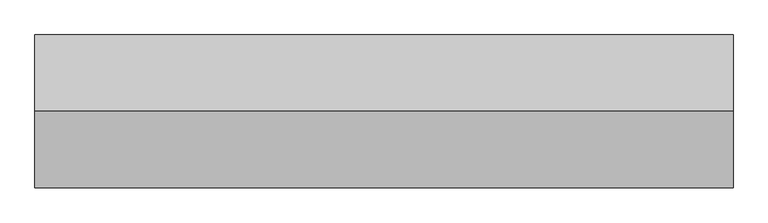
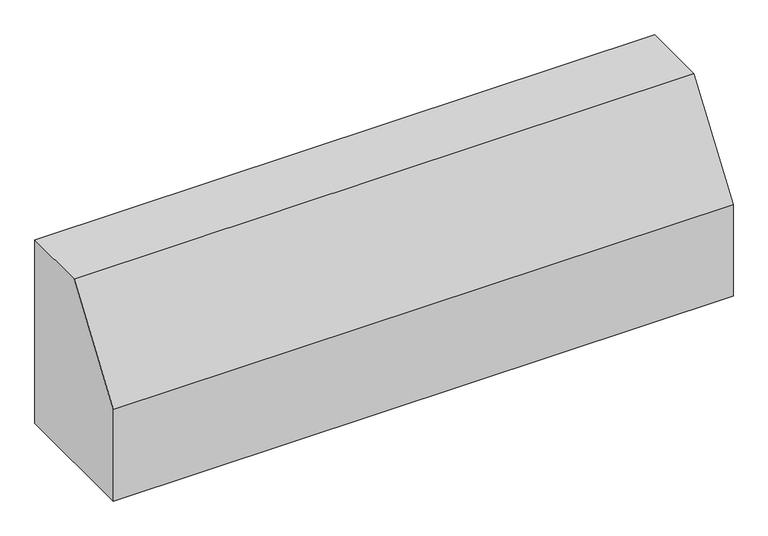
"""IFC4 building model written with IfcOpenShell, lengths in millimetres: proxy geometry."""

from ifc_helpers import new_model, si_unit, frame, origin, place, context, project, spatial, polyline, outline, extrude, source, transform, mapped, element, save


def generic_models_e8e31e57(model_context):
    return source(origin(), model_context, "Body", "SweptSolid", [
        extrude(outline(polyline([(6412.8552788, 8500.0), (6762.8552788, 8500.0), (6762.8552788, 7500.0), (6062.8552788, 7500.0), (6062.8552788, 8000.0), (6412.8552788, 8500.0)])), frame((5024.0222975, 0.0, 0.0), z_axis=(1.0, 0.0, 0.0), x_axis=(0.0, 1.0, 0.0)), (0.0, 0.0, 1.0), 3195.0),
    ])


if __name__ == "__main__":
    model = new_model("IFC4")
    model_context = context("Model", 3, world=origin())
    ifc_project = project(units=[si_unit("LENGTHUNIT", "METRE", prefix="MILLI")], contexts=[model_context])
    site = spatial("IfcSite", under=ifc_project)
    building = spatial("IfcBuilding", under=site)
    placement = place(None, origin())
    generic_models_shape = generic_models_e8e31e57(model_context)
    element("IfcBuildingElementProxy", 1, Name="Generic Models", at=placement, inside=building, context=model_context, shape_type="MappedRepresentation", body=[
        mapped(generic_models_shape, transform((0.0, 0.0, 0.0), x_axis=(1.0, 0.0, 0.0), y_axis=(0.0, 1.0, 0.0), z_axis=(0.0, 0.0, 1.0))),
    ])
    save(model, "model.ifc")
